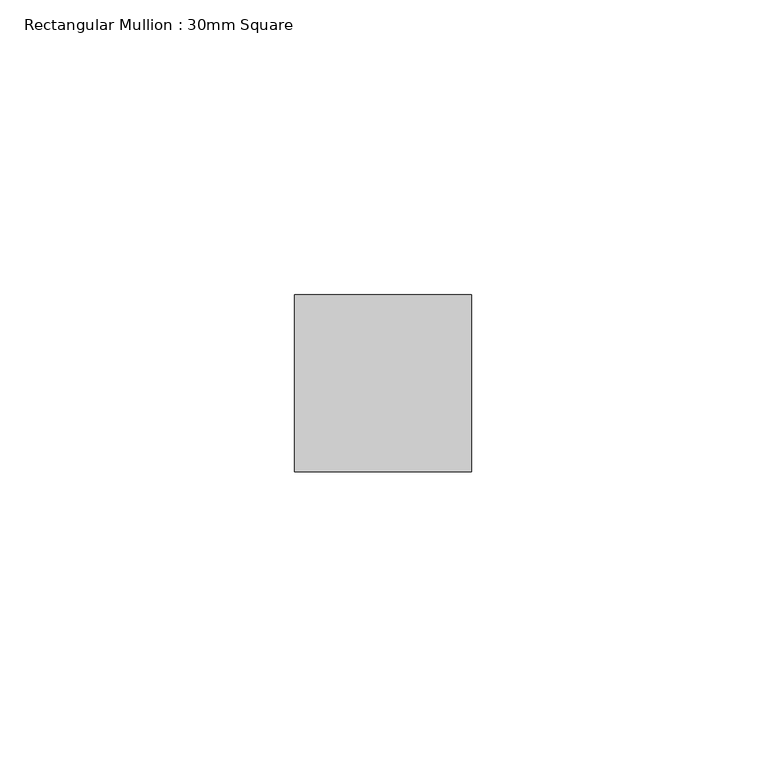
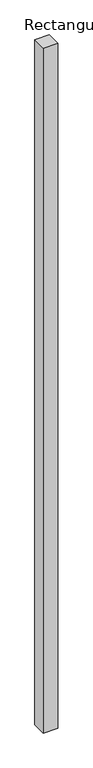
"""IFC4 building model written with IfcOpenShell, lengths in millimetres: member geometry, Rectangular Mullion : 30mm Square."""

from ifc_helpers import new_model, si_unit, frame, origin, place, context, project, spatial, polyline, outline, extrude, source, transform, mapped, element, save


def rectangular_mullion_30mm_square_0448d2ee(model_context):
    return source(origin(), model_context, "Body", "SweptSolid", [
        extrude(outline(polyline([(0.0, 15.0), (0.0, -15.0), (-30.0, -15.0), (-30.0, 15.0), (0.0, 15.0)])), frame((0.0, 0.0, -1500.0), z_axis=(0.0, 0.0, 1.0), x_axis=(1.0, 0.0, 0.0)), (0.0, 0.0, 1.0), 1500.0),
    ])


if __name__ == "__main__":
    model = new_model("IFC4")
    model_context = context("Model", 3, world=origin())
    ifc_project = project(units=[si_unit("LENGTHUNIT", "METRE", prefix="MILLI")], contexts=[model_context])
    site = spatial("IfcSite", under=ifc_project)
    building = spatial("IfcBuilding", under=site)
    placement = place(None, origin())
    rectangular_mullion_30mm_square_shape = rectangular_mullion_30mm_square_0448d2ee(model_context)
    element("IfcMember", 1, ObjectType="Rectangular Mullion : 30mm Square", at=placement, inside=building, context=model_context, shape_type="MappedRepresentation", body=[
        mapped(rectangular_mullion_30mm_square_shape, transform((0.0, 0.0, 0.0), x_axis=(1.0, 0.0, 0.0), y_axis=(0.0, 1.0, 0.0), z_axis=(0.0, 0.0, 1.0))),
    ])
    save(model, "model.ifc")
